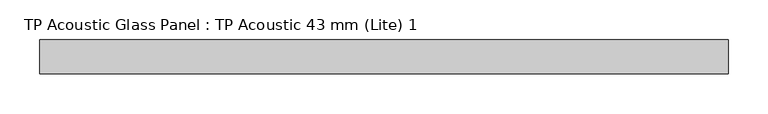
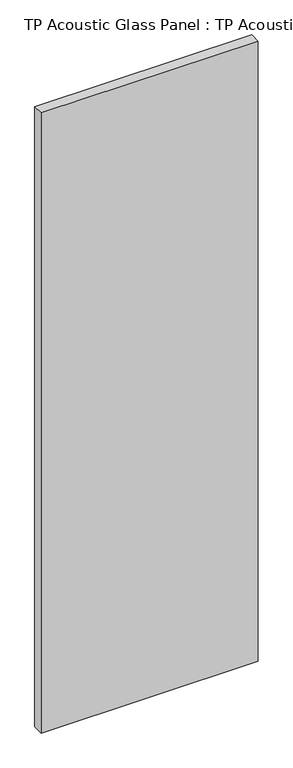
"""IFC4 building model written with IfcOpenShell, lengths in millimetres: plate geometry, TP Acoustic Glass Panel : TP Acoustic 43 mm (Lite) 1."""

from ifc_helpers import new_model, si_unit, origin, origin_with_axes, place, context, project, spatial, polyline, outline, extrude, source, transform, mapped, element, save


def tp_acoustic_glass_panel_tp_acoustic_43_mm_lite_1_98960489(model_context):
    return source(origin(), model_context, "Body", "SweptSolid", [
        extrude(outline(polyline([(435.125, 21.5), (435.125, -21.5), (-435.125, -21.5), (-435.125, 21.5), (435.125, 21.5)])), origin_with_axes(), (0.0, 0.0, 1.0), 2628.0),
    ])


if __name__ == "__main__":
    model = new_model("IFC4")
    model_context = context("Model", 3, world=origin())
    ifc_project = project(units=[si_unit("LENGTHUNIT", "METRE", prefix="MILLI")], contexts=[model_context])
    site = spatial("IfcSite", under=ifc_project)
    building = spatial("IfcBuilding", under=site)
    placement = place(None, origin())
    tp_acoustic_glass_panel_tp_acoustic_43_mm_lite_1_shape = tp_acoustic_glass_panel_tp_acoustic_43_mm_lite_1_98960489(model_context)
    element("IfcPlate", 1, ObjectType="TP Acoustic Glass Panel : TP Acoustic 43 mm (Lite) 1", at=placement, inside=building, context=model_context, shape_type="MappedRepresentation", body=[
        mapped(tp_acoustic_glass_panel_tp_acoustic_43_mm_lite_1_shape, transform((0.0, 0.0, 0.0), x_axis=(1.0, 0.0, 0.0), y_axis=(0.0, 1.0, 0.0), z_axis=(0.0, 0.0, 1.0))),
    ])
    save(model, "model.ifc")
